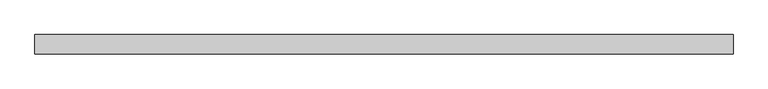
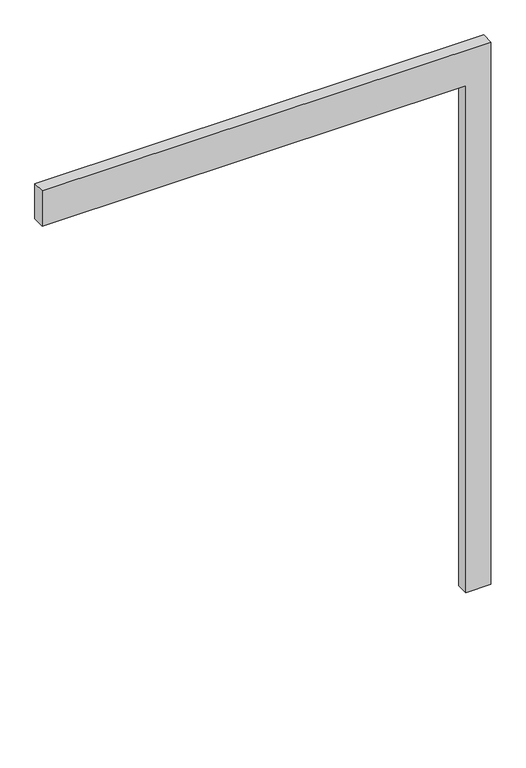
"""IFC4 building model written with IfcOpenShell, lengths in millimetres: proxy geometry."""

from ifc_helpers import new_model, si_unit, frame, origin, place, context, project, spatial, polyline, outline, extrude, source, transform, mapped, element, save


def generic_models_1ac4c91a(model_context):
    return source(origin(), model_context, "Body", "SweptSolid", [
        extrude(outline(polyline([(2150.0, -1700.0), (2150.0, 0.0), (0.0, 0.0), (0.0, 100.0), (2300.0, 100.0), (2300.0, -1700.0), (2150.0, -1700.0)])), frame((0.0, -50.0, 0.0), z_axis=(0.0, 1.0, 0.0), x_axis=(0.0, 0.0, 1.0)), (0.0, 0.0, 1.0), 50.0),
    ])


if __name__ == "__main__":
    model = new_model("IFC4")
    model_context = context("Model", 3, world=origin())
    ifc_project = project(units=[si_unit("LENGTHUNIT", "METRE", prefix="MILLI")], contexts=[model_context])
    site = spatial("IfcSite", under=ifc_project)
    building = spatial("IfcBuilding", under=site)
    placement = place(None, origin())
    generic_models_shape = generic_models_1ac4c91a(model_context)
    element("IfcBuildingElementProxy", 1, Name="Generic Models", at=placement, inside=building, context=model_context, shape_type="MappedRepresentation", body=[
        mapped(generic_models_shape, transform((0.0, 0.0, 0.0), x_axis=(1.0, 0.0, 0.0), y_axis=(0.0, 1.0, 0.0), z_axis=(0.0, 0.0, 1.0))),
    ])
    save(model, "model.ifc")
